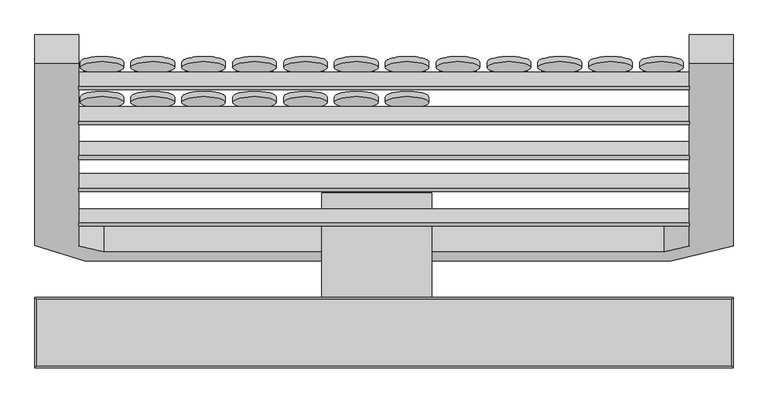
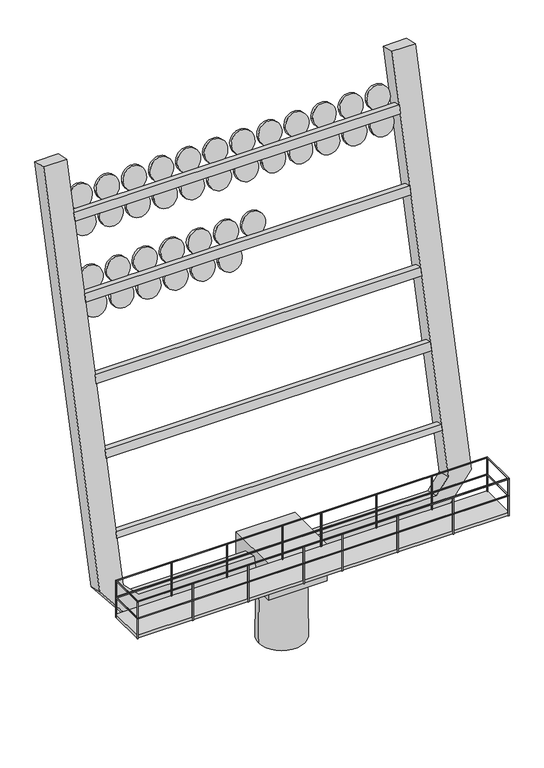
"""IFC4 building model written with IfcOpenShell, lengths in millimetres: proxy geometry."""

from ifc_helpers import new_model, si_unit, point, frame, frame_2d, origin, place, context, project, spatial, polyline, circle_curve, trimmed, segment, composite_curve, outline, extrude, source, transform, mapped, element, save
from ifc_brep_helpers import plane_surface, revolved_surface, advanced_brep


def generic_models_fc26b6fd(model_context):
    return source(origin(), model_context, "Body", "SolidModel", [
        extrude(outline(composite_curve([segment(trimmed(circle_curve(frame_2d((0.0, -300.0)), 300.0), [point((0.0, -600.0))], [point((0.0, 0.0))], False, "CARTESIAN"), True, "CONTINUOUS"), segment(trimmed(circle_curve(frame_2d((0.0, -300.0)), 300.0), [point((0.0, 0.0))], [point((0.0, -600.0))], False, "CARTESIAN"), True, "CONTINUOUS")], self_intersect=False)), frame((3015.1625554, -1218.8536432, 9870.1874359), z_axis=(0.0, -0.9659258262890683, 0.2588190451025209), x_axis=(0.0, -0.2588190451025209, -0.9659258262890683)), (0.0, 0.0, 1.0), 74.4689321),
        extrude(outline(composite_curve([segment(trimmed(circle_curve(frame_2d((0.0, -300.0)), 300.0), [point((0.0, -600.0))], [point((0.0, 0.0))], False, "CARTESIAN"), True, "CONTINUOUS"), segment(trimmed(circle_curve(frame_2d((0.0, -300.0)), 300.0), [point((0.0, 0.0))], [point((0.0, -600.0))], False, "CARTESIAN"), True, "CONTINUOUS")], self_intersect=False)), frame((2315.1625554, -1385.9189729, 9246.6911374), z_axis=(0.0, -0.9659258262890683, 0.2588190451025209), x_axis=(0.0, -0.2588190451025209, -0.9659258262890683)), (0.0, 0.0, 1.0), 74.4689321),
        extrude(outline(composite_curve([segment(trimmed(circle_curve(frame_2d((0.0, -300.0)), 300.0), [point((0.0, -600.0))], [point((0.0, 0.0))], False, "CARTESIAN"), True, "CONTINUOUS"), segment(trimmed(circle_curve(frame_2d((0.0, -300.0)), 300.0), [point((0.0, 0.0))], [point((0.0, -600.0))], False, "CARTESIAN"), True, "CONTINUOUS")], self_intersect=False)), frame((2315.1625554, -1218.8536432, 9870.1874359), z_axis=(0.0, -0.9659258262890683, 0.2588190451025209), x_axis=(0.0, -0.2588190451025209, -0.9659258262890683)), (0.0, 0.0, 1.0), 74.4689321),
        extrude(outline(composite_curve([segment(trimmed(circle_curve(frame_2d((0.0, -300.0)), 300.0), [point((0.0, -600.0))], [point((0.0, 0.0))], False, "CARTESIAN"), True, "CONTINUOUS"), segment(trimmed(circle_curve(frame_2d((0.0, -300.0)), 300.0), [point((0.0, 0.0))], [point((0.0, -600.0))], False, "CARTESIAN"), True, "CONTINUOUS")], self_intersect=False)), frame((1615.1625554, -1385.9189729, 9246.6911374), z_axis=(0.0, -0.9659258262890683, 0.2588190451025209), x_axis=(0.0, -0.2588190451025209, -0.9659258262890683)), (0.0, 0.0, 1.0), 74.4689321),
        extrude(outline(composite_curve([segment(trimmed(circle_curve(frame_2d((0.0, -300.0)), 300.0), [point((0.0, -600.0))], [point((0.0, 0.0))], False, "CARTESIAN"), True, "CONTINUOUS"), segment(trimmed(circle_curve(frame_2d((0.0, -300.0)), 300.0), [point((0.0, 0.0))], [point((0.0, -600.0))], False, "CARTESIAN"), True, "CONTINUOUS")], self_intersect=False)), frame((1615.1625554, -1218.8536432, 9870.1874359), z_axis=(0.0, -0.9659258262890683, 0.2588190451025209), x_axis=(0.0, -0.2588190451025209, -0.9659258262890683)), (0.0, 0.0, 1.0), 74.4689321),
        extrude(outline(composite_curve([segment(trimmed(circle_curve(frame_2d((0.0, -300.0)), 300.0), [point((0.0, -600.0))], [point((0.0, 0.0))], False, "CARTESIAN"), True, "CONTINUOUS"), segment(trimmed(circle_curve(frame_2d((0.0, -300.0)), 300.0), [point((0.0, 0.0))], [point((0.0, -600.0))], False, "CARTESIAN"), True, "CONTINUOUS")], self_intersect=False)), frame((915.1625554, -1385.9189729, 9246.6911374), z_axis=(0.0, -0.9659258262890683, 0.2588190451025209), x_axis=(0.0, -0.2588190451025209, -0.9659258262890683)), (0.0, 0.0, 1.0), 74.4689321),
        extrude(outline(composite_curve([segment(trimmed(circle_curve(frame_2d((0.0, -300.0)), 300.0), [point((0.0, -600.0))], [point((0.0, 0.0))], False, "CARTESIAN"), True, "CONTINUOUS"), segment(trimmed(circle_curve(frame_2d((0.0, -300.0)), 300.0), [point((0.0, 0.0))], [point((0.0, -600.0))], False, "CARTESIAN"), True, "CONTINUOUS")], self_intersect=False)), frame((915.1625554, -1218.8536432, 9870.1874359), z_axis=(0.0, -0.9659258262890683, 0.2588190451025209), x_axis=(0.0, -0.2588190451025209, -0.9659258262890683)), (0.0, 0.0, 1.0), 74.4689321),
        extrude(outline(composite_curve([segment(trimmed(circle_curve(frame_2d((0.0, -300.0)), 300.0), [point((0.0, -600.0))], [point((0.0, 0.0))], False, "CARTESIAN"), True, "CONTINUOUS"), segment(trimmed(circle_curve(frame_2d((0.0, -300.0)), 300.0), [point((0.0, 0.0))], [point((0.0, -600.0))], False, "CARTESIAN"), True, "CONTINUOUS")], self_intersect=False)), frame((215.1625554, -1385.9189729, 9246.6911374), z_axis=(0.0, -0.9659258262890683, 0.2588190451025209), x_axis=(0.0, -0.2588190451025209, -0.9659258262890683)), (0.0, 0.0, 1.0), 74.4689321),
        extrude(outline(composite_curve([segment(trimmed(circle_curve(frame_2d((0.0, -300.0)), 300.0), [point((0.0, -600.0))], [point((0.0, 0.0))], False, "CARTESIAN"), True, "CONTINUOUS"), segment(trimmed(circle_curve(frame_2d((0.0, -300.0)), 300.0), [point((0.0, 0.0))], [point((0.0, -600.0))], False, "CARTESIAN"), True, "CONTINUOUS")], self_intersect=False)), frame((215.1625554, -1218.8536432, 9870.1874359), z_axis=(0.0, -0.9659258262890683, 0.2588190451025209), x_axis=(0.0, -0.2588190451025209, -0.9659258262890683)), (0.0, 0.0, 1.0), 74.4689321),
        extrude(outline(composite_curve([segment(trimmed(circle_curve(frame_2d((0.0, -300.0)), 300.0), [point((0.0, -600.0))], [point((0.0, 0.0))], False, "CARTESIAN"), True, "CONTINUOUS"), segment(trimmed(circle_curve(frame_2d((0.0, -300.0)), 300.0), [point((0.0, 0.0))], [point((0.0, -600.0))], False, "CARTESIAN"), True, "CONTINUOUS")], self_intersect=False)), frame((-484.8374446, -1385.9189729, 9246.6911374), z_axis=(0.0, -0.9659258262890683, 0.2588190451025209), x_axis=(0.0, -0.2588190451025209, -0.9659258262890683)), (0.0, 0.0, 1.0), 74.4689321),
        extrude(outline(composite_curve([segment(trimmed(circle_curve(frame_2d((0.0, -300.0)), 300.0), [point((0.0, -600.0))], [point((0.0, 0.0))], False, "CARTESIAN"), True, "CONTINUOUS"), segment(trimmed(circle_curve(frame_2d((0.0, -300.0)), 300.0), [point((0.0, 0.0))], [point((0.0, -600.0))], False, "CARTESIAN"), True, "CONTINUOUS")], self_intersect=False)), frame((-484.8374446, -1218.8536432, 9870.1874359), z_axis=(0.0, -0.9659258262890683, 0.2588190451025209), x_axis=(0.0, -0.2588190451025209, -0.9659258262890683)), (0.0, 0.0, 1.0), 74.4689321),
        extrude(outline(composite_curve([segment(trimmed(circle_curve(frame_2d((0.0, -300.0)), 300.0), [point((0.0, -600.0))], [point((0.0, 0.0))], False, "CARTESIAN"), True, "CONTINUOUS"), segment(trimmed(circle_curve(frame_2d((0.0, -300.0)), 300.0), [point((0.0, 0.0))], [point((0.0, -600.0))], False, "CARTESIAN"), True, "CONTINUOUS")], self_intersect=False)), frame((-1184.8374446, -1385.9189729, 9246.6911374), z_axis=(0.0, -0.9659258262890683, 0.2588190451025209), x_axis=(0.0, -0.2588190451025209, -0.9659258262890683)), (0.0, 0.0, 1.0), 74.4689321),
        extrude(outline(composite_curve([segment(trimmed(circle_curve(frame_2d((0.0, -300.0)), 300.0), [point((0.0, -600.0))], [point((0.0, 0.0))], False, "CARTESIAN"), True, "CONTINUOUS"), segment(trimmed(circle_curve(frame_2d((0.0, -300.0)), 300.0), [point((0.0, 0.0))], [point((0.0, -600.0))], False, "CARTESIAN"), True, "CONTINUOUS")], self_intersect=False)), frame((-1184.8374446, -1218.8536432, 9870.1874359), z_axis=(0.0, -0.9659258262890683, 0.2588190451025209), x_axis=(0.0, -0.2588190451025209, -0.9659258262890683)), (0.0, 0.0, 1.0), 74.4689321),
        extrude(outline(composite_curve([segment(trimmed(circle_curve(frame_2d((0.0, -300.0)), 300.0), [point((0.0, -600.0))], [point((0.0, 0.0))], False, "CARTESIAN"), True, "CONTINUOUS"), segment(trimmed(circle_curve(frame_2d((0.0, -300.0)), 300.0), [point((0.0, 0.0))], [point((0.0, -600.0))], False, "CARTESIAN"), True, "CONTINUOUS")], self_intersect=False)), frame((6515.1625554, -904.7829671, 11180.6747215), z_axis=(0.0, -0.9659258262890683, 0.2588190451025209), x_axis=(0.0, -0.2588190451025209, -0.9659258262890683)), (0.0, 0.0, 1.0), 74.4689321),
        extrude(outline(composite_curve([segment(trimmed(circle_curve(frame_2d((0.0, -300.0)), 300.0), [point((0.0, -600.0))], [point((0.0, 0.0))], False, "CARTESIAN"), True, "CONTINUOUS"), segment(trimmed(circle_curve(frame_2d((0.0, -300.0)), 300.0), [point((0.0, 0.0))], [point((0.0, -600.0))], False, "CARTESIAN"), True, "CONTINUOUS")], self_intersect=False)), frame((6515.1625554, -737.7176374, 11804.17102), z_axis=(0.0, -0.9659258262890683, 0.2588190451025209), x_axis=(0.0, -0.2588190451025209, -0.9659258262890683)), (0.0, 0.0, 1.0), 74.4689321),
        extrude(outline(composite_curve([segment(trimmed(circle_curve(frame_2d((0.0, -300.0)), 300.0), [point((0.0, -600.0))], [point((0.0, 0.0))], False, "CARTESIAN"), True, "CONTINUOUS"), segment(trimmed(circle_curve(frame_2d((0.0, -300.0)), 300.0), [point((0.0, 0.0))], [point((0.0, -600.0))], False, "CARTESIAN"), True, "CONTINUOUS")], self_intersect=False)), frame((5815.1625554, -904.7829671, 11180.6747215), z_axis=(0.0, -0.9659258262890683, 0.2588190451025209), x_axis=(0.0, -0.2588190451025209, -0.9659258262890683)), (0.0, 0.0, 1.0), 74.4689321),
        extrude(outline(composite_curve([segment(trimmed(circle_curve(frame_2d((0.0, -300.0)), 300.0), [point((0.0, -600.0))], [point((0.0, 0.0))], False, "CARTESIAN"), True, "CONTINUOUS"), segment(trimmed(circle_curve(frame_2d((0.0, -300.0)), 300.0), [point((0.0, 0.0))], [point((0.0, -600.0))], False, "CARTESIAN"), True, "CONTINUOUS")], self_intersect=False)), frame((5815.1625554, -737.7176374, 11804.17102), z_axis=(0.0, -0.9659258262890683, 0.2588190451025209), x_axis=(0.0, -0.2588190451025209, -0.9659258262890683)), (0.0, 0.0, 1.0), 74.4689321),
        extrude(outline(composite_curve([segment(trimmed(circle_curve(frame_2d((0.0, -300.0)), 300.0), [point((0.0, -600.0))], [point((0.0, 0.0))], False, "CARTESIAN"), True, "CONTINUOUS"), segment(trimmed(circle_curve(frame_2d((0.0, -300.0)), 300.0), [point((0.0, 0.0))], [point((0.0, -600.0))], False, "CARTESIAN"), True, "CONTINUOUS")], self_intersect=False)), frame((5115.1625554, -904.7829671, 11180.6747215), z_axis=(0.0, -0.9659258262890683, 0.2588190451025209), x_axis=(0.0, -0.2588190451025209, -0.9659258262890683)), (0.0, 0.0, 1.0), 74.4689321),
        extrude(outline(composite_curve([segment(trimmed(circle_curve(frame_2d((0.0, -300.0)), 300.0), [point((0.0, -600.0))], [point((0.0, 0.0))], False, "CARTESIAN"), True, "CONTINUOUS"), segment(trimmed(circle_curve(frame_2d((0.0, -300.0)), 300.0), [point((0.0, 0.0))], [point((0.0, -600.0))], False, "CARTESIAN"), True, "CONTINUOUS")], self_intersect=False)), frame((5115.1625554, -737.7176374, 11804.17102), z_axis=(0.0, -0.9659258262890683, 0.2588190451025209), x_axis=(0.0, -0.2588190451025209, -0.9659258262890683)), (0.0, 0.0, 1.0), 74.4689321),
        extrude(outline(composite_curve([segment(trimmed(circle_curve(frame_2d((0.0, -300.0)), 300.0), [point((0.0, -600.0))], [point((0.0, 0.0))], False, "CARTESIAN"), True, "CONTINUOUS"), segment(trimmed(circle_curve(frame_2d((0.0, -300.0)), 300.0), [point((0.0, 0.0))], [point((0.0, -600.0))], False, "CARTESIAN"), True, "CONTINUOUS")], self_intersect=False)), frame((4415.1625554, -904.7829671, 11180.6747215), z_axis=(0.0, -0.9659258262890683, 0.2588190451025209), x_axis=(0.0, -0.2588190451025209, -0.9659258262890683)), (0.0, 0.0, 1.0), 74.4689321),
        extrude(outline(composite_curve([segment(trimmed(circle_curve(frame_2d((0.0, -300.0)), 300.0), [point((0.0, -600.0))], [point((0.0, 0.0))], False, "CARTESIAN"), True, "CONTINUOUS"), segment(trimmed(circle_curve(frame_2d((0.0, -300.0)), 300.0), [point((0.0, 0.0))], [point((0.0, -600.0))], False, "CARTESIAN"), True, "CONTINUOUS")], self_intersect=False)), frame((4415.1625554, -737.7176374, 11804.17102), z_axis=(0.0, -0.9659258262890683, 0.2588190451025209), x_axis=(0.0, -0.2588190451025209, -0.9659258262890683)), (0.0, 0.0, 1.0), 74.4689321),
        extrude(outline(composite_curve([segment(trimmed(circle_curve(frame_2d((0.0, -300.0)), 300.0), [point((0.0, -600.0))], [point((0.0, 0.0))], False, "CARTESIAN"), True, "CONTINUOUS"), segment(trimmed(circle_curve(frame_2d((0.0, -300.0)), 300.0), [point((0.0, 0.0))], [point((0.0, -600.0))], False, "CARTESIAN"), True, "CONTINUOUS")], self_intersect=False)), frame((3715.1625554, -904.7829671, 11180.6747215), z_axis=(0.0, -0.9659258262890683, 0.2588190451025209), x_axis=(0.0, -0.2588190451025209, -0.9659258262890683)), (0.0, 0.0, 1.0), 74.4689321),
        extrude(outline(composite_curve([segment(trimmed(circle_curve(frame_2d((0.0, -300.0)), 300.0), [point((0.0, -600.0))], [point((0.0, 0.0))], False, "CARTESIAN"), True, "CONTINUOUS"), segment(trimmed(circle_curve(frame_2d((0.0, -300.0)), 300.0), [point((0.0, 0.0))], [point((0.0, -600.0))], False, "CARTESIAN"), True, "CONTINUOUS")], self_intersect=False)), frame((3715.1625554, -737.7176374, 11804.17102), z_axis=(0.0, -0.9659258262890683, 0.2588190451025209), x_axis=(0.0, -0.2588190451025209, -0.9659258262890683)), (0.0, 0.0, 1.0), 74.4689321),
        extrude(outline(composite_curve([segment(trimmed(circle_curve(frame_2d((0.0, -300.0)), 300.0), [point((0.0, -600.0))], [point((0.0, 0.0))], False, "CARTESIAN"), True, "CONTINUOUS"), segment(trimmed(circle_curve(frame_2d((0.0, -300.0)), 300.0), [point((0.0, 0.0))], [point((0.0, -600.0))], False, "CARTESIAN"), True, "CONTINUOUS")], self_intersect=False)), frame((3015.1625554, -904.7829671, 11180.6747215), z_axis=(0.0, -0.9659258262890683, 0.2588190451025209), x_axis=(0.0, -0.2588190451025209, -0.9659258262890683)), (0.0, 0.0, 1.0), 74.4689321),
        extrude(outline(composite_curve([segment(trimmed(circle_curve(frame_2d((0.0, -300.0)), 300.0), [point((0.0, -600.0))], [point((0.0, 0.0))], False, "CARTESIAN"), True, "CONTINUOUS"), segment(trimmed(circle_curve(frame_2d((0.0, -300.0)), 300.0), [point((0.0, 0.0))], [point((0.0, -600.0))], False, "CARTESIAN"), True, "CONTINUOUS")], self_intersect=False)), frame((3015.1625554, -737.7176374, 11804.17102), z_axis=(0.0, -0.9659258262890683, 0.2588190451025209), x_axis=(0.0, -0.2588190451025209, -0.9659258262890683)), (0.0, 0.0, 1.0), 74.4689321),
        extrude(outline(composite_curve([segment(trimmed(circle_curve(frame_2d((0.0, -300.0)), 300.0), [point((0.0, -600.0))], [point((0.0, 0.0))], False, "CARTESIAN"), True, "CONTINUOUS"), segment(trimmed(circle_curve(frame_2d((0.0, -300.0)), 300.0), [point((0.0, 0.0))], [point((0.0, -600.0))], False, "CARTESIAN"), True, "CONTINUOUS")], self_intersect=False)), frame((2315.1625554, -904.7829671, 11180.6747215), z_axis=(0.0, -0.9659258262890683, 0.2588190451025209), x_axis=(0.0, -0.2588190451025209, -0.9659258262890683)), (0.0, 0.0, 1.0), 74.4689321),
        extrude(outline(composite_curve([segment(trimmed(circle_curve(frame_2d((0.0, -300.0)), 300.0), [point((0.0, -600.0))], [point((0.0, 0.0))], False, "CARTESIAN"), True, "CONTINUOUS"), segment(trimmed(circle_curve(frame_2d((0.0, -300.0)), 300.0), [point((0.0, 0.0))], [point((0.0, -600.0))], False, "CARTESIAN"), True, "CONTINUOUS")], self_intersect=False)), frame((2315.1625554, -737.7176374, 11804.17102), z_axis=(0.0, -0.9659258262890683, 0.2588190451025209), x_axis=(0.0, -0.2588190451025209, -0.9659258262890683)), (0.0, 0.0, 1.0), 74.4689321),
        extrude(outline(composite_curve([segment(trimmed(circle_curve(frame_2d((0.0, -300.0)), 300.0), [point((0.0, -600.0))], [point((0.0, 0.0))], False, "CARTESIAN"), True, "CONTINUOUS"), segment(trimmed(circle_curve(frame_2d((0.0, -300.0)), 300.0), [point((0.0, 0.0))], [point((0.0, -600.0))], False, "CARTESIAN"), True, "CONTINUOUS")], self_intersect=False)), frame((1615.1625554, -904.7829671, 11180.6747215), z_axis=(0.0, -0.9659258262890683, 0.2588190451025209), x_axis=(0.0, -0.2588190451025209, -0.9659258262890683)), (0.0, 0.0, 1.0), 74.4689321),
        extrude(outline(composite_curve([segment(trimmed(circle_curve(frame_2d((0.0, -300.0)), 300.0), [point((0.0, -600.0))], [point((0.0, 0.0))], False, "CARTESIAN"), True, "CONTINUOUS"), segment(trimmed(circle_curve(frame_2d((0.0, -300.0)), 300.0), [point((0.0, 0.0))], [point((0.0, -600.0))], False, "CARTESIAN"), True, "CONTINUOUS")], self_intersect=False)), frame((1615.1625554, -737.7176374, 11804.17102), z_axis=(0.0, -0.9659258262890683, 0.2588190451025209), x_axis=(0.0, -0.2588190451025209, -0.9659258262890683)), (0.0, 0.0, 1.0), 74.4689321),
        extrude(outline(composite_curve([segment(trimmed(circle_curve(frame_2d((0.0, -300.0)), 300.0), [point((0.0, -600.0))], [point((0.0, 0.0))], False, "CARTESIAN"), True, "CONTINUOUS"), segment(trimmed(circle_curve(frame_2d((0.0, -300.0)), 300.0), [point((0.0, 0.0))], [point((0.0, -600.0))], False, "CARTESIAN"), True, "CONTINUOUS")], self_intersect=False)), frame((915.1625554, -904.7829671, 11180.6747215), z_axis=(0.0, -0.9659258262890683, 0.2588190451025209), x_axis=(0.0, -0.2588190451025209, -0.9659258262890683)), (0.0, 0.0, 1.0), 74.4689321),
        extrude(outline(composite_curve([segment(trimmed(circle_curve(frame_2d((0.0, -300.0)), 300.0), [point((0.0, -600.0))], [point((0.0, 0.0))], False, "CARTESIAN"), True, "CONTINUOUS"), segment(trimmed(circle_curve(frame_2d((0.0, -300.0)), 300.0), [point((0.0, 0.0))], [point((0.0, -600.0))], False, "CARTESIAN"), True, "CONTINUOUS")], self_intersect=False)), frame((915.1625554, -737.7176374, 11804.17102), z_axis=(0.0, -0.9659258262890683, 0.2588190451025209), x_axis=(0.0, -0.2588190451025209, -0.9659258262890683)), (0.0, 0.0, 1.0), 74.4689321),
        extrude(outline(composite_curve([segment(trimmed(circle_curve(frame_2d((0.0, -300.0)), 300.0), [point((0.0, -600.0))], [point((0.0, 0.0))], False, "CARTESIAN"), True, "CONTINUOUS"), segment(trimmed(circle_curve(frame_2d((0.0, -300.0)), 300.0), [point((0.0, 0.0))], [point((0.0, -600.0))], False, "CARTESIAN"), True, "CONTINUOUS")], self_intersect=False)), frame((215.1625554, -904.7829671, 11180.6747215), z_axis=(0.0, -0.9659258262890683, 0.2588190451025209), x_axis=(0.0, -0.2588190451025209, -0.9659258262890683)), (0.0, 0.0, 1.0), 74.4689321),
        extrude(outline(composite_curve([segment(trimmed(circle_curve(frame_2d((0.0, -300.0)), 300.0), [point((0.0, -600.0))], [point((0.0, 0.0))], False, "CARTESIAN"), True, "CONTINUOUS"), segment(trimmed(circle_curve(frame_2d((0.0, -300.0)), 300.0), [point((0.0, 0.0))], [point((0.0, -600.0))], False, "CARTESIAN"), True, "CONTINUOUS")], self_intersect=False)), frame((215.1625554, -737.7176374, 11804.17102), z_axis=(0.0, -0.9659258262890683, 0.2588190451025209), x_axis=(0.0, -0.2588190451025209, -0.9659258262890683)), (0.0, 0.0, 1.0), 74.4689321),
        extrude(outline(composite_curve([segment(trimmed(circle_curve(frame_2d((0.0, -300.0)), 300.0), [point((0.0, -600.0))], [point((0.0, 0.0))], False, "CARTESIAN"), True, "CONTINUOUS"), segment(trimmed(circle_curve(frame_2d((0.0, -300.0)), 300.0), [point((0.0, 0.0))], [point((0.0, -600.0))], False, "CARTESIAN"), True, "CONTINUOUS")], self_intersect=False)), frame((-484.8374446, -904.7829671, 11180.6747215), z_axis=(0.0, -0.9659258262890683, 0.2588190451025209), x_axis=(0.0, -0.2588190451025209, -0.9659258262890683)), (0.0, 0.0, 1.0), 74.4689321),
        extrude(outline(composite_curve([segment(trimmed(circle_curve(frame_2d((0.0, -300.0)), 300.0), [point((0.0, -600.0))], [point((0.0, 0.0))], False, "CARTESIAN"), True, "CONTINUOUS"), segment(trimmed(circle_curve(frame_2d((0.0, -300.0)), 300.0), [point((0.0, 0.0))], [point((0.0, -600.0))], False, "CARTESIAN"), True, "CONTINUOUS")], self_intersect=False)), frame((-484.8374446, -737.7176374, 11804.17102), z_axis=(0.0, -0.9659258262890683, 0.2588190451025209), x_axis=(0.0, -0.2588190451025209, -0.9659258262890683)), (0.0, 0.0, 1.0), 74.4689321),
        extrude(outline(composite_curve([segment(trimmed(circle_curve(frame_2d((0.0, -300.0)), 300.0), [point((0.0, -600.0))], [point((0.0, 0.0))], False, "CARTESIAN"), True, "CONTINUOUS"), segment(trimmed(circle_curve(frame_2d((0.0, -300.0)), 300.0), [point((0.0, 0.0))], [point((0.0, -600.0))], False, "CARTESIAN"), True, "CONTINUOUS")], self_intersect=False)), frame((-1184.8374446, -904.7829671, 11180.6747215), z_axis=(0.0, -0.9659258262890683, 0.2588190451025209), x_axis=(0.0, -0.2588190451025209, -0.9659258262890683)), (0.0, 0.0, 1.0), 74.4689321),
        extrude(outline(composite_curve([segment(trimmed(circle_curve(frame_2d((0.0, -300.0)), 300.0), [point((0.0, -600.0))], [point((0.0, 0.0))], False, "CARTESIAN"), True, "CONTINUOUS"), segment(trimmed(circle_curve(frame_2d((0.0, -300.0)), 300.0), [point((0.0, 0.0))], [point((0.0, -600.0))], False, "CARTESIAN"), True, "CONTINUOUS")], self_intersect=False)), frame((-1184.8374446, -737.7176374, 11804.17102), z_axis=(0.0, -0.9659258262890683, 0.2588190451025209), x_axis=(0.0, -0.2588190451025209, -0.9659258262890683)), (0.0, 0.0, 1.0), 74.4689321),
        extrude(outline(polyline([(0.0, -8407.1067812), (0.0, 0.0), (200.0000001, 0.0), (200.0000001, -8407.1067812), (0.0, -8407.1067812)])), frame((-1807.1067812, -2520.1876241, 5816.1684978), z_axis=(0.0, 0.24192189559966515, 0.9702957262759971), x_axis=(0.0, 0.9702957262759971, -0.24192189559966515)), (0.0, 0.0, 1.0), 212.6528924),
        extrude(outline(polyline([(7200.0, -4948.5), (-2407.0153983, -4948.5), (-2407.0153983, -4928.5260103), (7200.0, -4928.5260103), (7200.0, -4948.5)])), frame((0.0, 0.0, 3108.7573886), z_axis=(0.0, 0.0, 1.0), x_axis=(1.0, 0.0, 0.0)), (0.0, 0.0, 1.0), 20.0),
        extrude(outline(polyline([(7200.0, -3998.5), (7200.0, -4928.5260103), (7180.0, -4928.5260103), (7180.0, -3998.5), (7200.0, -3998.5)])), frame((0.0, 0.0, 3108.7573886), z_axis=(0.0, 0.0, 1.0), x_axis=(1.0, 0.0, 0.0)), (0.0, 0.0, 1.0), 20.0),
        extrude(outline(polyline([(-2387.0153983, -3998.5), (-2387.0153983, -4928.5260103), (-2407.0153983, -4928.5260103), (-2407.0153983, -3998.5), (-2387.0153983, -3998.5)])), frame((0.0, 0.0, 3108.7573886), z_axis=(0.0, 0.0, 1.0), x_axis=(1.0, 0.0, 0.0)), (0.0, 0.0, 1.0), 20.0),
        extrude(outline(polyline([(7200.0, -3998.5), (-2407.0153983, -3998.5), (-2407.0153983, -3978.5260103), (7200.0, -3978.5260103), (7200.0, -3998.5)])), frame((0.0, 0.0, 3108.7573886), z_axis=(0.0, 0.0, 1.0), x_axis=(1.0, 0.0, 0.0)), (0.0, 0.0, 1.0), 20.0),
        extrude(outline(polyline([(-2387.0153983, -3998.5), (-2387.0153983, -4928.5260103), (-2407.0153983, -4928.5260103), (-2407.0153983, -3998.5), (-2387.0153983, -3998.5)])), frame((0.0, 0.0, 3570.4216471), z_axis=(0.0, 0.0, 1.0), x_axis=(1.0, 0.0, 0.0)), (0.0, 0.0, 1.0), 20.0),
        extrude(outline(polyline([(7200.0, -3998.5), (7200.0, -4928.5260103), (7180.0, -4928.5260103), (7180.0, -3998.5), (7200.0, -3998.5)])), frame((0.0, 0.0, 3570.4216471), z_axis=(0.0, 0.0, 1.0), x_axis=(1.0, 0.0, 0.0)), (0.0, 0.0, 1.0), 20.0),
        extrude(outline(polyline([(7200.0, -3998.5), (-2407.0153983, -3998.5), (-2407.0153983, -3978.5260103), (7200.0, -3978.5260103), (7200.0, -3998.5)])), frame((0.0, 0.0, 3570.4216471), z_axis=(0.0, 0.0, 1.0), x_axis=(1.0, 0.0, 0.0)), (0.0, 0.0, 1.0), 20.0),
        extrude(outline(polyline([(7200.0, -4948.5), (-2407.0153983, -4948.5), (-2407.0153983, -4928.5260103), (7200.0, -4928.5260103), (7200.0, -4948.5)])), frame((0.0, 0.0, 3570.4216471), z_axis=(0.0, 0.0, 1.0), x_axis=(1.0, 0.0, 0.0)), (0.0, 0.0, 1.0), 20.0),
        extrude(outline(polyline([(-955.8461652, -3998.5), (-975.8461652, -3998.5), (-975.8461652, -3978.5260103), (-955.8461652, -3978.5260103), (-955.8461652, -3998.5)])), frame((0.0, 0.0, 2570.4216471), z_axis=(0.0, 0.0, 1.0), x_axis=(1.0, 0.0, 0.0)), (0.0, 0.0, 1.0), 1000.0),
        extrude(outline(polyline([(475.3230678, -3998.5), (455.3230678, -3998.5), (455.3230678, -3978.5260103), (475.3230678, -3978.5260103), (475.3230678, -3998.5)])), frame((0.0, 0.0, 2570.4216471), z_axis=(0.0, 0.0, 1.0), x_axis=(1.0, 0.0, 0.0)), (0.0, 0.0, 1.0), 1000.0),
        extrude(outline(polyline([(4337.6615339, -3998.5), (4317.6615339, -3998.5), (4317.6615339, -3978.5260103), (4337.6615339, -3978.5260103), (4337.6615339, -3998.5)])), frame((0.0, 0.0, 2570.4216471), z_axis=(0.0, 0.0, 1.0), x_axis=(1.0, 0.0, 0.0)), (0.0, 0.0, 1.0), 1000.0),
        extrude(outline(polyline([(5768.830767, -3998.5), (5748.830767, -3998.5), (5748.830767, -3978.5260103), (5768.830767, -3978.5260103), (5768.830767, -3998.5)])), frame((0.0, 0.0, 2570.4216471), z_axis=(0.0, 0.0, 1.0), x_axis=(1.0, 0.0, 0.0)), (0.0, 0.0, 1.0), 1000.0),
        extrude(outline(polyline([(1906.4923009, -3998.5), (1886.4923009, -3998.5), (1886.4923009, -3978.5260103), (1906.4923009, -3978.5260103), (1906.4923009, -3998.5)])), frame((0.0, 0.0, 2570.4216471), z_axis=(0.0, 0.0, 1.0), x_axis=(1.0, 0.0, 0.0)), (0.0, 0.0, 1.0), 1000.0),
        extrude(outline(polyline([(2906.4923009, -3998.5), (2886.4923009, -3998.5), (2886.4923009, -3978.5260103), (2906.4923009, -3978.5260103), (2906.4923009, -3998.5)])), frame((0.0, 0.0, 2570.4216471), z_axis=(0.0, 0.0, 1.0), x_axis=(1.0, 0.0, 0.0)), (0.0, 0.0, 1.0), 1000.0),
        extrude(outline(polyline([(7200.0, -3998.5), (7180.0, -3998.5), (7180.0, -3978.5260103), (7200.0, -3978.5260103), (7200.0, -3998.5)])), frame((0.0, 0.0, 2570.4216471), z_axis=(0.0, 0.0, 1.0), x_axis=(1.0, 0.0, 0.0)), (0.0, 0.0, 1.0), 1000.0),
        extrude(outline(polyline([(-2387.0153983, -3998.5), (-2407.0153983, -3998.5), (-2407.0153983, -3978.5260103), (-2387.0153983, -3978.5260103), (-2387.0153983, -3998.5)])), frame((0.0, 0.0, 2570.4216471), z_axis=(0.0, 0.0, 1.0), x_axis=(1.0, 0.0, 0.0)), (0.0, 0.0, 1.0), 1000.0),
        extrude(outline(polyline([(-955.8461652, -4948.5), (-975.8461652, -4948.5), (-975.8461652, -4928.5260103), (-955.8461652, -4928.5260103), (-955.8461652, -4948.5)])), frame((0.0, 0.0, 2570.4216471), z_axis=(0.0, 0.0, 1.0), x_axis=(1.0, 0.0, 0.0)), (0.0, 0.0, 1.0), 1000.0),
        extrude(outline(polyline([(475.3230678, -4948.5), (455.3230678, -4948.5), (455.3230678, -4928.5260103), (475.3230678, -4928.5260103), (475.3230678, -4948.5)])), frame((0.0, 0.0, 2570.4216471), z_axis=(0.0, 0.0, 1.0), x_axis=(1.0, 0.0, 0.0)), (0.0, 0.0, 1.0), 1000.0),
        extrude(outline(polyline([(4337.6615339, -4948.5), (4317.6615339, -4948.5), (4317.6615339, -4928.5260103), (4337.6615339, -4928.5260103), (4337.6615339, -4948.5)])), frame((0.0, 0.0, 2570.4216471), z_axis=(0.0, 0.0, 1.0), x_axis=(1.0, 0.0, 0.0)), (0.0, 0.0, 1.0), 1000.0),
        extrude(outline(polyline([(5768.830767, -4948.5), (5748.830767, -4948.5), (5748.830767, -4928.5260103), (5768.830767, -4928.5260103), (5768.830767, -4948.5)])), frame((0.0, 0.0, 2570.4216471), z_axis=(0.0, 0.0, 1.0), x_axis=(1.0, 0.0, 0.0)), (0.0, 0.0, 1.0), 1000.0),
        extrude(outline(polyline([(1906.4923009, -4948.5), (1886.4923009, -4948.5), (1886.4923009, -4928.5260103), (1906.4923009, -4928.5260103), (1906.4923009, -4948.5)])), frame((0.0, 0.0, 2570.4216471), z_axis=(0.0, 0.0, 1.0), x_axis=(1.0, 0.0, 0.0)), (0.0, 0.0, 1.0), 1000.0),
        extrude(outline(polyline([(2906.4923009, -4948.5), (2886.4923009, -4948.5), (2886.4923009, -4928.5260103), (2906.4923009, -4928.5260103), (2906.4923009, -4948.5)])), frame((0.0, 0.0, 2570.4216471), z_axis=(0.0, 0.0, 1.0), x_axis=(1.0, 0.0, 0.0)), (0.0, 0.0, 1.0), 1000.0),
        extrude(outline(polyline([(-2387.0153983, -4948.5), (-2407.0153983, -4948.5), (-2407.0153983, -4928.5260103), (-2387.0153983, -4928.5260103), (-2387.0153983, -4948.5)])), frame((0.0, 0.0, 2570.4216471), z_axis=(0.0, 0.0, 1.0), x_axis=(1.0, 0.0, 0.0)), (0.0, 0.0, 1.0), 1000.0),
        extrude(outline(polyline([(7200.0, -4948.5), (7180.0, -4948.5), (7180.0, -4928.5260103), (7200.0, -4928.5260103), (7200.0, -4948.5)])), frame((0.0, 0.0, 2570.4216471), z_axis=(0.0, 0.0, 1.0), x_axis=(1.0, 0.0, 0.0)), (0.0, 0.0, 1.0), 1000.0),
        extrude(outline(polyline([(7200.0, -3978.5260103), (7200.0, -4928.5260103), (-2407.0153983, -4928.5260103), (-2407.0153983, -3978.5260103), (7200.0, -3978.5260103)])), frame((0.0, 0.0, 2570.4216471), z_axis=(0.0, 0.0, 1.0), x_axis=(1.0, 0.0, 0.0)), (0.0, 0.0, 1.0), 86.6714831),
        extrude(outline(polyline([(0.0, -8407.1067812), (0.0, 0.0), (200.0, 0.0), (200.0, -8407.1067812), (0.0, -8407.1067812)])), frame((-1807.1067812, -2077.6773025, 7590.9804583), z_axis=(0.0, 0.24192189559966928, 0.9702957262759961), x_axis=(0.0, 0.9702957262759961, -0.24192189559966928)), (0.0, 0.0, 1.0), 212.6528924),
        extrude(outline(polyline([(0.0, -8407.1067812), (0.0, 0.0), (200.0, 0.0), (200.0, -8407.1067812), (0.0, -8407.1067812)])), frame((-1807.1067812, -1598.4890982, 9512.8993719), z_axis=(0.0, 0.24192189559966734, 0.9702957262759966), x_axis=(0.0, 0.9702957262759966, -0.24192189559966734)), (0.0, 0.0, 1.0), 212.6528924),
        extrude(outline(polyline([(0.0, -8407.1067812), (0.0, 0.0), (199.9999999, 0.0), (199.9999999, -8407.1067812), (0.0, -8407.1067812)])), frame((-1807.1067812, -1119.3008938, 11434.8182854), z_axis=(0.0, 0.241921895599672, 0.9702957262759955), x_axis=(0.0, 0.9702957262759955, -0.241921895599672)), (0.0, 0.0, 1.0), 212.6528924),
        extrude(outline(polyline([(0.0, -8407.1067812), (0.0, 0.0), (200.0, 0.0), (200.0, -8407.1067812), (0.0, -8407.1067812)])), frame((-1807.1067812, -2992.4599773, 3921.987548), z_axis=(0.0, 0.24192189559966676, 0.9702957262759968), x_axis=(0.0, 0.9702957262759968, -0.24192189559966676)), (0.0, 0.0, 1.0), 155.4786454),
        extrude(outline(polyline([(-3978.5260103, 1657.0931301), (-3978.5260103, 2657.0931301), (-2538.5260103, 2657.0931301), (-2538.5260103, 1657.0931301), (-2658.5260103, 1657.0931301), (-3978.5260103, 1657.0931301)])), frame((1539.190396, 0.0, 0.0), z_axis=(1.0, 0.0, 0.0), x_axis=(0.0, 1.0, 0.0)), (0.0, 0.0, 1.0), 1517.1780955),
        advanced_brep(
        [(1718.7371653, -3258.5260103, 1657.0931301), (2878.7371653, -3258.5260103, 1657.0931301), (1698.7371653, -3258.5260103, 0.0), (2898.7371653, -3258.5260103, 0.0)],
        [
            (0, 1, circle_curve(frame((2298.7371653, -3258.5260103, 1657.0931301), z_axis=(0.0, 0.0, 1.0), x_axis=(-1.0, 0.0, 0.0)), 580.0)),
            (1, 0, circle_curve(frame((2298.7371653, -3258.5260103, 1657.0931301), z_axis=(0.0, 0.0, 1.0), x_axis=(1.0, 0.0, 0.0)), 580.0)),
            (2, 3, circle_curve(frame((2298.7371653, -3258.5260103, 0.0), z_axis=(0.0, 0.0, -1.0), x_axis=(1.0, 0.0, 0.0)), 600.0)),
            (3, 2, circle_curve(frame((2298.7371653, -3258.5260103, 0.0), z_axis=(0.0, 0.0, -1.0), x_axis=(-1.0, 0.0, 0.0)), 600.0)),
            (3, 1),
            (0, 2),
        ],
        [
            plane_surface(frame((2298.7371653, -3258.5260103, 1657.0931301), z_axis=(0.0, 0.0, 1.0), x_axis=(0.0, -1.0, 0.0))),
            plane_surface(frame((2298.7371653, -3258.5260103, 0.0), z_axis=(0.0, 0.0, -1.0), x_axis=(0.0, -1.0, 0.0))),
            revolved_surface(polyline([(1718.7371652995575, -3258.5260103, 1657.0931301000019), (1698.7371653, -3258.5260103, 0.0)]), (2298.7371653, -3258.5260103, 49712.7939041), (0.0, 0.0, -1.0)),
            revolved_surface(polyline([(2878.7371653004425, -3258.5260103, 1657.0931301000019), (2898.7371653, -3258.5260103, 0.0)]), (2298.7371653, -3258.5260103, 49712.7939041), (0.0, 0.0, -1.0)),
        ],
        [
            (0, [[1, 2]]),
            (1, [[3, 4]]),
            (2, [[-4, 5, -1, 6]]),
            (3, [[-3, -6, -2, -5]]),
        ],
    ),
        extrude(outline(polyline([(418.494973, 0.0), (418.494973, -10398.4160296), (772.0483636, -10751.9694202), (8472.0483636, -10751.9694202), (8825.6017542, -10398.4160296), (8825.6017542, 0.0), (9425.6017542, 0.0), (9425.6017542, -10398.4160296), (8572.0483636, -11251.9694202), (501.3890705, -11251.9694202), (-181.4136441, -10387.9445858), (-181.4136441, 0.0), (418.494973, 0.0)])), frame((-2225.6017542, -362.3430834, 12817.3840413), z_axis=(0.0, -0.9702957262759965, 0.24192189559966756), x_axis=(1.0, 0.0, 0.0)), (0.0, 0.0, 1.0), 400.0),
    ])


if __name__ == "__main__":
    model = new_model("IFC4")
    model_context = context("Model", 3, world=origin())
    ifc_project = project(units=[si_unit("LENGTHUNIT", "METRE", prefix="MILLI")], contexts=[model_context])
    site = spatial("IfcSite", under=ifc_project)
    building = spatial("IfcBuilding", under=site)
    placement = place(None, origin())
    generic_models_shape = generic_models_fc26b6fd(model_context)
    element("IfcBuildingElementProxy", 1, Name="Generic Models", at=placement, inside=building, context=model_context, shape_type="MappedRepresentation", body=[
        mapped(generic_models_shape, transform((0.0, 0.0, 0.0), x_axis=(1.0, 0.0, 0.0), y_axis=(0.0, 1.0, 0.0), z_axis=(0.0, 0.0, 1.0))),
    ])
    save(model, "model.ifc")
